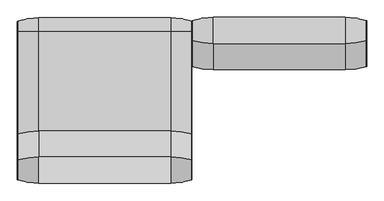
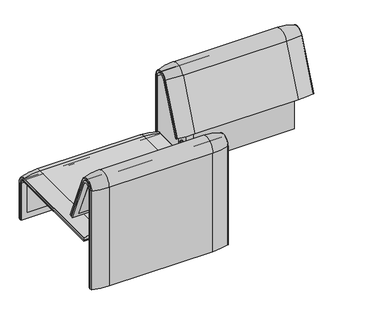
"""IFC4 building model written with IfcOpenShell, lengths in millimetres: furniture geometry."""

from ifc_helpers import new_model, si_unit, point, frame, frame_2d, origin, place, context, project, spatial, polyline, circle_curve, ellipse_curve, trimmed, segment, composite_curve, outline, extrude, source, transform, mapped, element, save
from ifc_brep_helpers import plane_surface, cylinder_surface, revolved_surface, advanced_brep


def furniture_7e9e4455(model_context):
    return source(origin(), model_context, "Body", "SolidModel", [
        advanced_brep(
        [(1221.8828771, 373.93893, 100.5089435), (1124.0215056, 388.2902376, 100.5089435), (1124.0215056, 388.2902376, 720.3417731), (1221.8828771, 373.93893, 720.3417731), (408.0071685, 292.4403877, 733.7122262), (408.0071685, 359.7858817, 720.3417731), (1224.0215056, 359.7858817, 720.3417731), (1224.0215056, 292.4403877, 733.7122262), (508.0071685, 388.2902376, 100.5089435), (410.1457971, 373.93893, 100.5089435), (410.1457971, 373.93893, 720.3417731), (508.0071685, 388.2902376, 720.3417731), (410.1457971, 279.3607494, 739.1188739), (408.0071685, 282.0164812, 738.0210907), (408.0071685, 159.7723383, 442.2908598), (410.1457971, 157.1166065, 443.3886429), (508.0071685, 266.0978884, 744.6012592), (508.0071685, 143.8537454, 448.8710282), (1224.0215056, 371.0652495, 100.5089435), (1224.0215056, 359.7858817, 100.5089435), (408.0071685, 359.7858817, 100.5089435), (408.0071685, 371.0652495, 100.5089435), (1224.0215056, 371.0652495, 720.3417731), (1224.0215056, 282.0164812, 738.0210907), (1224.0215056, 159.7723383, 442.2908598), (1224.0215056, 170.1962447, 437.9819952), (1124.0215056, 143.8537454, 448.8710282), (408.0071685, 170.1962447, 437.9819952), (1221.8828771, 157.1166065, 443.3886429), (1124.0215056, 266.0978884, 744.6012592), (1221.8828771, 279.3607494, 739.1188739), (408.0071685, 371.0652495, 720.3417731)],
        [
            (0, 1, circle_curve(frame((1124.0215056, 47.4569043, 100.5089435), z_axis=(0.0, 0.0, 1.0), x_axis=(0.0, -1.0, 0.0)), 340.8333333)),
            (1, 2),
            (2, 3, circle_curve(frame((1124.0215056, 47.4569043, 720.3417731), z_axis=(0.0, 0.0, -1.0), x_axis=(0.0, -1.0, 0.0)), 340.8333333)),
            (3, 0),
            (4, 5, circle_curve(frame((408.0071685, 324.7858817, 720.3417731), z_axis=(-1.0, 0.0, 0.0), x_axis=(0.0, 1.0, 0.0)), 35.0)),
            (5, 6),
            (6, 7, circle_curve(frame((1224.0215056, 324.7858817, 720.3417731), z_axis=(1.0, 0.0, 0.0), x_axis=(0.0, 1.0, 0.0)), 35.0)),
            (7, 4),
            (8, 9, circle_curve(frame((508.0071685, 47.4569043, 100.5089435), z_axis=(0.0, 0.0, 1.0), x_axis=(0.0, -1.0, 0.0)), 340.8333333)),
            (9, 10),
            (10, 11, circle_curve(frame((508.0071685, 47.4569043, 720.3417731), z_axis=(0.0, 0.0, -1.0), x_axis=(0.0, -1.0, 0.0)), 340.8333333)),
            (11, 8),
            (12, 13, circle_curve(frame((411.0071685, 282.0164812, 738.0210907), z_axis=(0.0, -0.38201294675155345, -0.9241569717933176), x_axis=(-1.0, 0.0, 0.0)), 3.0)),
            (13, 14),
            (14, 15, circle_curve(frame((411.0071685, 159.7723383, 442.2908598), z_axis=(0.0, 0.38201294675155345, 0.9241569717933176), x_axis=(-1.0, 0.0, 0.0)), 3.0)),
            (15, 12),
            (16, 12, circle_curve(frame((508.0071685, 581.0813896, 614.3985132), z_axis=(0.0, -0.38201294675155345, -0.9241569717933176), x_axis=(0.0, 0.9241569717933176, -0.38201294675155345)), 340.8333333)),
            (15, 17, circle_curve(frame((508.0071685, 458.8372467, 318.6682822), z_axis=(0.0, 0.38201294675155345, 0.9241569717933176), x_axis=(0.0, 0.9241569717933176, -0.38201294675155345)), 340.8333333)),
            (17, 16),
            (0, 18, circle_curve(frame((1221.0215056, 371.0652495, 100.5089435), z_axis=(0.0, 0.0, -1.0), x_axis=(1.0, 0.0, 0.0)), 3.0)),
            (18, 19),
            (19, 20),
            (20, 21),
            (21, 9, circle_curve(frame((411.0071685, 371.0652495, 100.5089435), z_axis=(0.0, 0.0, -1.0), x_axis=(-1.0, 0.0, 0.0)), 3.0)),
            (8, 1),
            (11, 2),
            (3, 22, circle_curve(frame((1221.0215056, 371.0652495, 720.3417731), z_axis=(0.0, 0.0, -1.0), x_axis=(1.0, 0.0, 0.0)), 3.0)),
            (22, 18),
            (22, 23, circle_curve(frame((1224.0215056, 324.7858817, 720.3417731), z_axis=(1.0, 0.0, 0.0), x_axis=(0.0, 1.0, 0.0)), 46.2793679)),
            (23, 24),
            (24, 25),
            (25, 7),
            (6, 19),
            (5, 20),
            (26, 17),
            (14, 27),
            (27, 25),
            (24, 28, circle_curve(frame((1221.0215056, 159.7723383, 442.2908598), z_axis=(0.0, -0.38201294675155345, -0.9241569717933176), x_axis=(1.0, 0.0, 0.0)), 3.0)),
            (28, 26, circle_curve(frame((1124.0215056, 458.8372467, 318.6682822), z_axis=(0.0, -0.38201294675155345, -0.9241569717933176), x_axis=(0.0, 0.9241569717933176, -0.38201294675155345)), 340.8333333)),
            (29, 2, circle_curve(frame((1124.0215056, 324.7858817, 720.3417731), z_axis=(-1.0, 0.0, 0.0), x_axis=(0.0, 1.0, 0.0)), 63.5043559)),
            (11, 16, circle_curve(frame((508.0071685, 324.7858817, 720.3417731), z_axis=(1.0, 0.0, 0.0), x_axis=(0.0, 1.0, 0.0)), 63.5043559)),
            (16, 29),
            (30, 3, circle_curve(frame((1221.8828771, 324.7858817, 720.3417731), z_axis=(-1.0, 0.0, 0.0), x_axis=(0.0, 1.0, 0.0)), 49.1530483)),
            (29, 30, circle_curve(frame((1124.0215056, 581.0813896, 614.3985132), z_axis=(0.0, 0.382012946751556, 0.9241569717933165), x_axis=(0.0, 0.9241569717933165, -0.382012946751556)), 340.8333333)),
            (30, 23, circle_curve(frame((1221.0215056, 282.0164812, 738.0210907), z_axis=(0.0, 0.3820129467515552, 0.9241569717933168), x_axis=(1.0, 0.0, 0.0)), 3.0)),
            (26, 29),
            (28, 30),
            (27, 4),
            (13, 31, circle_curve(frame((408.0071685, 324.7858817, 720.3417731), z_axis=(-1.0, 0.0, 0.0), x_axis=(0.0, 1.0, 0.0)), 46.2793679)),
            (31, 21),
            (31, 10, circle_curve(frame((411.0071685, 371.0652495, 720.3417731), z_axis=(0.0, 0.0, -1.0), x_axis=(-1.0, 0.0, 0.0)), 3.0)),
            (12, 10, circle_curve(frame((410.1457971, 324.7858817, 720.3417731), z_axis=(-1.0, 0.0, 0.0), x_axis=(0.0, 1.0, 0.0)), 49.1530483)),
        ],
        [
            cylinder_surface(frame((1124.0215056, 47.4569043, 100.5089435), z_axis=(0.0, 0.0, -1.0), x_axis=(0.0, -1.0, 0.0)), 340.8333333),
            revolved_surface(polyline([(1224.0215056, 359.7858817, 720.3417731), (408.0071685, 359.7858817, 720.3417731)]), (820.7793603, 324.7858817, 720.3417731), (1.0, 0.0, 0.0)),
            cylinder_surface(frame((508.0071685, 47.4569043, 100.5089435), z_axis=(0.0, 0.0, -1.0), x_axis=(0.0, -1.0, 0.0)), 340.8333333),
            cylinder_surface(frame((411.0071685, 282.0164812, 738.0210907), z_axis=(0.0, 0.38201294675155345, 0.9241569717933176), x_axis=(-1.0, 0.0, 0.0)), 3.0),
            cylinder_surface(frame((508.0071685, 581.0813896, 614.3985132), z_axis=(0.0, 0.38201294675155345, 0.9241569717933176), x_axis=(0.0, 0.9241569717933176, -0.38201294675155345)), 340.8333333),
            plane_surface(frame((820.7793603, 359.7858817, 100.5089435), z_axis=(0.0, 0.0, -1.0), x_axis=(1.0, 0.0, 0.0))),
            plane_surface(frame((508.0071685, 388.2902376, 100.5089435), z_axis=(0.0, 1.0, 0.0), x_axis=(0.0, 0.0, 1.0))),
            cylinder_surface(frame((1221.0215056, 371.0652495, 100.5089435), z_axis=(0.0, 0.0, -1.0), x_axis=(1.0, 0.0, 0.0)), 3.0),
            plane_surface(frame((1224.0215056, 371.0652495, 100.5089435), z_axis=(1.0, 0.0, 0.0), x_axis=(0.0, 0.0, 1.0))),
            plane_surface(frame((1224.0215056, 359.7858817, 100.5089435), z_axis=(0.0, -1.0, 0.0), x_axis=(0.0, 0.0, 1.0))),
            plane_surface(frame((820.7793603, 170.1962447, 437.9819952), z_axis=(0.0, -0.38201294675155345, -0.9241569717933176), x_axis=(1.0, 0.0, 0.0))),
            cylinder_surface(frame((820.7793603, 324.7858817, 720.3417731), z_axis=(1.0, 0.0, 0.0), x_axis=(0.0, 1.0, 0.0)), 63.5043559),
            revolved_surface(trimmed(ellipse_curve(frame((1124.0215056, 47.4569043, 720.3417731), z_axis=(0.0, 0.0, -1.0), x_axis=(0.0, -1.0, 0.0)), 340.8333333, 340.8333333), [point((1124.0215056, 388.2902376, 720.3417731))], [point((1221.8828771, 373.93893, 720.3417731))], True, "CARTESIAN"), (820.7793603, 324.7858817, 720.3417731), (1.0, 0.0, 0.0)),
            revolved_surface(trimmed(ellipse_curve(frame((1221.0215056, 371.0652495, 720.3417731), z_axis=(0.0, 0.0, -1.0), x_axis=(1.0, 0.0, 0.0)), 3.0, 3.0), [point((1221.8828771, 373.93893, 720.3417731))], [point((1224.0215056, 371.0652495, 720.3417731))], True, "CARTESIAN"), (820.7793603, 324.7858817, 720.3417731), (1.0, 0.0, 0.0)),
            plane_surface(frame((508.0071685, 266.0978884, 744.6012592), z_axis=(0.0, -0.9241569717933176, 0.38201294675155356), x_axis=(0.0, -0.38201294675155356, -0.9241569717933176))),
            cylinder_surface(frame((1124.0215056, 581.0813896, 614.3985132), z_axis=(0.0, 0.38201294675155345, 0.9241569717933176), x_axis=(0.0, 0.9241569717933176, -0.38201294675155345)), 340.8333333),
            cylinder_surface(frame((1221.0215056, 282.0164812, 738.0210907), z_axis=(0.0, 0.38201294675155345, 0.9241569717933176), x_axis=(1.0, 0.0, 0.0)), 3.0),
            plane_surface(frame((1224.0215056, 292.4403877, 733.7122262), z_axis=(0.0, 0.9241569717933176, -0.38201294675155356), x_axis=(0.0, -0.38201294675155356, -0.9241569717933176))),
            plane_surface(frame((408.0071685, 359.7858817, 100.5089435), z_axis=(-1.0, 0.0, 0.0), x_axis=(0.0, 0.0, 1.0))),
            cylinder_surface(frame((411.0071685, 371.0652495, 100.5089435), z_axis=(0.0, 0.0, -1.0), x_axis=(-1.0, 0.0, 0.0)), 3.0),
            revolved_surface(trimmed(ellipse_curve(frame((411.0071685, 371.0652495, 720.3417731), z_axis=(0.0, 0.0, -1.0), x_axis=(-1.0, 0.0, 0.0)), 3.0, 3.0), [point((408.0071685, 371.0652495, 720.3417731))], [point((410.1457971, 373.93893, 720.3417731))], True, "CARTESIAN"), (820.7793603, 324.7858817, 720.3417731), (1.0, 0.0, 0.0)),
            revolved_surface(trimmed(ellipse_curve(frame((508.0071685, 47.4569043, 720.3417731), z_axis=(0.0, 0.0, -1.0), x_axis=(0.0, -1.0, 0.0)), 340.8333333, 340.8333333), [point((410.1457971, 373.93893, 720.3417731))], [point((508.0071685, 388.2902376, 720.3417731))], True, "CARTESIAN"), (820.7793603, 324.7858817, 720.3417731), (1.0, 0.0, 0.0)),
        ],
        [
            (0, [[1, 2, 3, 4]]),
            (1, [[5, 6, 7, 8]]),
            (2, [[9, 10, 11, 12]]),
            (3, [[13, 14, 15, 16]]),
            (4, [[17, -16, 18, 19]]),
            (5, [[-1, 20, 21, 22, 23, 24, -9, 25]]),
            (6, [[-25, -12, 26, -2]]),
            (7, [[-20, -4, 27, 28]]),
            (8, [[-21, -28, 29, 30, 31, 32, -7, 33]]),
            (9, [[-22, -33, -6, 34]]),
            (10, [[35, -18, -15, 36, 37, -31, 38, 39]]),
            (11, [[40, -26, 41, 42]]),
            (12, [[43, -3, -40, 44]]),
            (13, [[-29, -27, -43, 45]]),
            (14, [[-42, -19, -35, 46]]),
            (15, [[-44, -46, -39, 47]]),
            (16, [[-45, -47, -38, -30]]),
            (17, [[-8, -32, -37, 48]]),
            (18, [[-23, -34, -5, -48, -36, -14, 49, 50]]),
            (19, [[-24, -50, 51, -10]]),
            (20, [[52, -51, -49, -13]]),
            (21, [[-41, -11, -52, -17]]),
        ],
    ),
        extrude(outline(composite_curve([segment(trimmed(circle_curve(frame_2d((305.0000061, 379.9223263)), 30.0), [point((305.0000061, 349.9223263))], [point((335.0000061, 379.9223263))], True, "CARTESIAN"), True, "CONTINUOUS"), segment(polyline([(335.0000061, 379.9223263), (335.0000061, 515.0657595)]), True, "CONTINUOUS"), segment(trimmed(circle_curve(frame_2d((305.0000061, 515.0657595)), 30.0), [point((335.0000061, 515.0657595))], [point((316.7219399, 542.6809051))], True, "CARTESIAN"), True, "CONTINUOUS"), segment(polyline([(316.7219399, 542.6809051), (257.4911714, 567.8228747)]), True, "CONTINUOUS"), segment(trimmed(circle_curve(frame_2d((251.6302045, 554.0153019)), 15.0), [point((257.4911714, 567.8228747))], [point((238.0355877, 560.3545758))], True, "CARTESIAN"), True, "CONTINUOUS"), segment(polyline([(238.0355877, 560.3545758), (222.2725218, 526.5505721), (213.7507451, 529.5682915), (296.3054528, 724.0549949)]), True, "CONTINUOUS"), segment(trimmed(circle_curve(frame_2d((322.520748, 712.9272623)), 28.479258), [point((296.3054528, 724.0549949))], [point((351.0000061, 712.9272623))], False, "CARTESIAN"), True, "CONTINUOUS"), segment(polyline([(351.0000061, 712.9272623), (351.0000061, 197.0551771), (343.3075759, 197.0551771), (339.4064861, 271.492405)]), True, "CONTINUOUS"), segment(trimmed(circle_curve(frame_2d((309.4476, 269.9223263)), 30.0), [point((339.4064861, 271.492405))], [point((309.4476, 299.9223263))], True, "CARTESIAN"), True, "CONTINUOUS"), segment(polyline([(309.4476, 299.9223263), (270.0000061, 299.9223263), (270.0000061, 359.9223263), (275.0000061, 359.9223263)]), True, "CONTINUOUS"), segment(trimmed(circle_curve(frame_2d((285.0000061, 359.9223263)), 10.0), [point((275.0000061, 359.9223263))], [point((285.0000061, 349.9223263))], True, "CARTESIAN"), True, "CONTINUOUS"), segment(polyline([(285.0000061, 349.9223263), (305.0000061, 349.9223263)]), True, "CONTINUOUS")], self_intersect=False), holes=[composite_curve([segment(polyline([(337.5000061, 576.3274105), (337.5000061, 716.7072663)]), True, "CONTINUOUS"), segment(trimmed(circle_curve(frame_2d((322.5000061, 716.7072663)), 15.0), [point((337.5000061, 716.7072663))], [point((308.9053893, 723.0465402))], True, "CARTESIAN"), True, "CONTINUOUS"), segment(polyline([(308.9053893, 723.0465402), (253.6256191, 604.4986904)]), True, "CONTINUOUS"), segment(trimmed(circle_curve(frame_2d((271.7517748, 596.0463251)), 20.0), [point((253.6256191, 604.4986904))], [point((265.0756376, 577.1934953))], True, "CARTESIAN"), True, "CONTINUOUS"), segment(polyline([(265.0756376, 577.1934953), (314.1406626, 559.8186587)]), True, "CONTINUOUS"), segment(trimmed(circle_curve(frame_2d((319.9867182, 576.3274105)), 17.5132879), [point((314.1406626, 559.8186587))], [point((337.5000061, 576.3274105))], True, "CARTESIAN"), True, "CONTINUOUS")], self_intersect=False)]), frame((531.0195403, 0.0, 0.0), z_axis=(1.0, 0.0, 0.0), x_axis=(0.0, 1.0, 0.0)), (0.0, 0.0, 1.0), 40.0),
        advanced_brep(
        [(-407.9906244, -295.0, 359.922434), (-407.9906244, -295.0, 366.172434), (-407.9906244, 324.3858663, 366.172434), (-407.9906244, 357.5, 333.0583003), (-407.9906244, 357.5, 100.5089435), (-407.9906244, 351.0, 100.5089435), (-407.9906244, 351.0, 332.6742277), (-407.9906244, 323.7517936, 359.922434), (407.9906244, -295.0, 359.922434), (407.9906244, 323.7517936, 359.922434), (407.9906244, 351.0, 332.6742277), (407.9906244, 351.0, 100.5089435), (407.9906244, 357.5, 100.5089435), (407.9906244, 357.5, 333.0583003), (407.9906244, 324.3858663, 366.172434), (407.9906244, -295.0, 366.172434), (373.0906244, 324.3858663, 366.172434), (373.0906244, -260.0, 366.172434), (-373.0906244, -260.0, 366.172434), (-373.0906244, 324.3858663, 366.172434), (-373.0906244, 357.5, 333.0583003), (373.0906244, 357.5, 333.0583003), (-373.0906244, 357.5, 135.3766997), (373.0906244, 357.5, 135.3766997), (373.0906244, 351.0, 332.6742277), (373.0906244, 351.0, 135.3766997), (-373.0906244, 351.0, 135.3766997), (-373.0906244, 351.0, 332.6742277), (-373.0906244, 323.7517936, 359.922434), (373.0906244, 323.7517936, 359.922434), (-373.0906244, -260.0, 359.922434), (373.0906244, -260.0, 359.922434)],
        [
            (0, 1),
            (1, 2),
            (2, 3, circle_curve(frame((-407.9906244, 324.3858663, 333.0583003), z_axis=(-1.0, 0.0, 0.0), x_axis=(0.0, 1.0, 0.0)), 33.1141337)),
            (3, 4),
            (4, 5),
            (5, 6),
            (6, 7, circle_curve(frame((-407.9906244, 323.7517936, 332.6742277), z_axis=(1.0, 0.0, 0.0), x_axis=(0.0, 1.0, 0.0)), 27.2482064)),
            (7, 0),
            (8, 9),
            (9, 10, circle_curve(frame((407.9906244, 323.7517936, 332.6742277), z_axis=(-1.0, 0.0, 0.0), x_axis=(0.0, 1.0, 0.0)), 27.2482064)),
            (10, 11),
            (11, 12),
            (12, 13),
            (13, 14, circle_curve(frame((407.9906244, 324.3858663, 333.0583003), z_axis=(1.0, 0.0, 0.0), x_axis=(0.0, 1.0, 0.0)), 33.1141337)),
            (14, 15),
            (15, 8),
            (0, 8),
            (15, 1),
            (14, 16),
            (16, 17),
            (17, 18),
            (18, 19),
            (19, 2),
            (19, 20, circle_curve(frame((-373.0906244, 324.3858663, 333.0583003), z_axis=(-1.0, 0.0, 0.0), x_axis=(0.0, 1.0, 0.0)), 33.1141337)),
            (20, 3),
            (13, 21),
            (21, 16, circle_curve(frame((373.0906244, 324.3858663, 333.0583003), z_axis=(1.0, 0.0, 0.0), x_axis=(0.0, 1.0, 0.0)), 33.1141337)),
            (20, 22),
            (22, 23),
            (23, 21),
            (12, 4),
            (11, 5),
            (10, 24),
            (24, 25),
            (25, 26),
            (26, 27),
            (27, 6),
            (27, 28, circle_curve(frame((-373.0906244, 323.7517936, 332.6742277), z_axis=(1.0, 0.0, 0.0), x_axis=(0.0, 1.0, 0.0)), 27.2482064)),
            (28, 7),
            (9, 29),
            (29, 24, circle_curve(frame((373.0906244, 323.7517936, 332.6742277), z_axis=(-1.0, 0.0, 0.0), x_axis=(0.0, 1.0, 0.0)), 27.2482064)),
            (28, 30),
            (30, 31),
            (31, 29),
            (26, 22),
            (18, 30),
            (31, 17),
            (23, 25),
        ],
        [
            plane_surface(frame((-407.9906244, 296.9265415, 359.922434), z_axis=(-1.0, 0.0, 0.0), x_axis=(0.0, 1.0, 0.0))),
            plane_surface(frame((407.9906244, 296.9265415, 359.922434), z_axis=(1.0, 0.0, 0.0), x_axis=(0.0, -1.0, 0.0))),
            plane_surface(frame((-407.9906244, -295.0, 366.172434), z_axis=(0.0, -1.0, 0.0), x_axis=(1.0, 0.0, 0.0))),
            plane_surface(frame((-407.9906244, 324.3858663, 366.172434), z_axis=(0.0, 0.0, 1.0), x_axis=(1.0, 0.0, 0.0))),
            cylinder_surface(frame((407.9906244, 324.3858663, 333.0583003), z_axis=(-1.0, 0.0, 0.0), x_axis=(0.0, 1.0, 0.0)), 33.1141337),
            plane_surface(frame((-407.9906244, 357.5, 100.5089435), z_axis=(0.0, 1.0, 0.0), x_axis=(1.0, 0.0, 0.0))),
            plane_surface(frame((-407.9906244, 351.0, 100.5089435), z_axis=(0.0, 0.0, -1.0), x_axis=(1.0, 0.0, 0.0))),
            plane_surface(frame((-407.9906244, 351.0, 332.6742277), z_axis=(0.0, -1.0, 0.0), x_axis=(1.0, 0.0, 0.0))),
            revolved_surface(polyline([(-373.0906244, 351.0, 332.6742277), (-407.9906244, 351.0, 332.6742277)]), (407.9906244, 323.7517936, 332.6742277), (1.0, 0.0, 0.0)),
            revolved_surface(polyline([(407.9906244, 351.0, 332.6742277), (373.0906244, 351.0, 332.6742277)]), (407.9906244, 323.7517936, 332.6742277), (1.0, 0.0, 0.0)),
            plane_surface(frame((-407.9906244, -295.0, 359.922434), z_axis=(0.0, 0.0, -1.0), x_axis=(1.0, 0.0, 0.0))),
            plane_surface(frame((-373.0906244, 296.9265415, 359.922434), z_axis=(1.0, 0.0, 0.0), x_axis=(0.0, 1.0, 0.0))),
            plane_surface(frame((373.0906244, 296.9265415, 359.922434), z_axis=(-1.0, 0.0, 0.0), x_axis=(0.0, -1.0, 0.0))),
            plane_surface(frame((-373.0906244, -260.0, 366.172434), z_axis=(0.0, 1.0, 0.0), x_axis=(1.0, 0.0, 0.0))),
            plane_surface(frame((-373.0906244, 351.0, 135.3766997), z_axis=(0.0, 0.0, 1.0), x_axis=(1.0, 0.0, 0.0))),
        ],
        [
            (0, [[1, 2, 3, 4, 5, 6, 7, 8]]),
            (1, [[9, 10, 11, 12, 13, 14, 15, 16]]),
            (2, [[17, -16, 18, -1]]),
            (3, [[-18, -15, 19, 20, 21, 22, 23, -2]]),
            (4, [[-23, 24, 25, -3]]),
            (4, [[26, 27, -19, -14]]),
            (5, [[-25, 28, 29, 30, -26, -13, 31, -4]]),
            (6, [[-31, -12, 32, -5]]),
            (7, [[-32, -11, 33, 34, 35, 36, 37, -6]]),
            (8, [[-37, 38, 39, -7]]),
            (9, [[40, 41, -33, -10]]),
            (10, [[-39, 42, 43, 44, -40, -9, -17, -8]]),
            (11, [[-42, -38, -36, 45, -28, -24, -22, 46]]),
            (12, [[-34, -41, -44, 47, -20, -27, -30, 48]]),
            (13, [[-21, -47, -43, -46]]),
            (14, [[-35, -48, -29, -45]]),
        ],
    ),
        extrude(outline(composite_curve([segment(polyline([(-260.0, 359.922434), (-260.0, 366.172434), (324.3858663, 366.172434)]), True, "CONTINUOUS"), segment(trimmed(circle_curve(frame_2d((324.3858663, 333.0583003)), 33.1141337), [point((324.3858663, 366.172434))], [point((357.5, 333.0583003))], False, "CARTESIAN"), True, "CONTINUOUS"), segment(polyline([(357.5, 333.0583003), (357.5, 135.3766997), (351.0, 135.3766997), (351.0, 332.6742277)]), True, "CONTINUOUS"), segment(trimmed(circle_curve(frame_2d((323.7517936, 332.6742277)), 27.2482064), [point((351.0, 332.6742277))], [point((323.7517936, 359.922434))], True, "CARTESIAN"), True, "CONTINUOUS"), segment(polyline([(323.7517936, 359.922434), (-260.0, 359.922434)]), True, "CONTINUOUS")], self_intersect=False)), frame((-373.0906244, 0.0, 0.0), z_axis=(1.0, 0.0, 0.0), x_axis=(0.0, 1.0, 0.0)), (0.0, 0.0, 1.0), 746.1812488),
        advanced_brep(
        [(-407.9906244, 368.7793679, 100.5089435), (-405.8519959, 371.6530483, 100.5089435), (-307.9906244, 386.0043559, 100.5089435), (307.9906244, 386.0043559, 100.5089435), (405.8519959, 371.6530483, 100.5089435), (407.9906244, 368.7793679, 100.5089435), (407.9906244, 357.5, 100.5089435), (-407.9906244, 357.5, 100.5089435), (-407.9906244, -295.0, 377.4518019), (-407.9906244, -295.0, 366.172434), (407.9906244, -295.0, 366.172434), (407.9906244, -295.0, 377.4518019), (405.8519959, -295.0, 380.3254823), (307.9906244, -295.0, 394.67679), (-307.9906244, -295.0, 394.67679), (-405.8519959, -295.0, 380.3254823), (-407.9906244, 357.5, 333.0583003), (-407.9906244, 324.3858663, 366.172434), (-407.9906244, 324.3858663, 377.4518019), (-407.9906244, 368.7793679, 333.0583003), (407.9906244, 357.5, 333.0583003), (-307.9906244, 386.0043559, 333.0583003), (307.9906244, 386.0043559, 333.0583003), (-405.8519959, 371.6530483, 333.0583003), (407.9906244, 324.3858663, 366.172434), (-307.9906244, 324.3858663, 394.67679), (307.9906244, 324.3858663, 394.67679), (-405.8519959, 324.3858663, 380.3254823), (407.9906244, 368.7793679, 333.0583003), (407.9906244, 324.3858663, 377.4518019), (405.8519959, 371.6530483, 333.0583003), (405.8519959, 324.3858663, 380.3254823)],
        [
            (0, 1, circle_curve(frame((-404.9906244, 368.7793679, 100.5089435), z_axis=(0.0, 0.0, -1.0), x_axis=(1.0, 0.0, 0.0)), 3.0)),
            (1, 2, circle_curve(frame((-307.9906244, 45.1710226, 100.5089435), z_axis=(0.0, 0.0, -1.0), x_axis=(0.0, -1.0, 0.0)), 340.8333333)),
            (2, 3),
            (3, 4, circle_curve(frame((307.9906244, 45.1710226, 100.5089435), z_axis=(0.0, 0.0, -1.0), x_axis=(0.0, -1.0, 0.0)), 340.8333333)),
            (4, 5, circle_curve(frame((404.9906244, 368.7793679, 100.5089435), z_axis=(0.0, 0.0, -1.0), x_axis=(-1.0, 0.0, 0.0)), 3.0)),
            (5, 6),
            (6, 7),
            (7, 0),
            (8, 9),
            (9, 10),
            (10, 11),
            (11, 12, circle_curve(frame((404.9906244, -295.0, 377.4518019), z_axis=(0.0, -1.0, 0.0), x_axis=(-1.0, 0.0, 0.0)), 3.0)),
            (12, 13, circle_curve(frame((307.9906244, -295.0, 53.8434566), z_axis=(0.0, -1.0, 0.0), x_axis=(0.0, 0.0, -1.0)), 340.8333333)),
            (13, 14),
            (14, 15, circle_curve(frame((-307.9906244, -295.0, 53.8434566), z_axis=(0.0, -1.0, 0.0), x_axis=(0.0, 0.0, -1.0)), 340.8333333)),
            (15, 8, circle_curve(frame((-404.9906244, -295.0, 377.4518019), z_axis=(0.0, -1.0, 0.0), x_axis=(1.0, 0.0, 0.0)), 3.0)),
            (7, 16),
            (16, 17, circle_curve(frame((-407.9906244, 324.3858663, 333.0583003), z_axis=(1.0, 0.0, 0.0), x_axis=(0.0, 1.0, 0.0)), 33.1141337)),
            (17, 9),
            (8, 18),
            (18, 19, circle_curve(frame((-407.9906244, 324.3858663, 333.0583003), z_axis=(-1.0, 0.0, 0.0), x_axis=(0.0, 1.0, 0.0)), 44.3935016)),
            (19, 0),
            (6, 20),
            (20, 16),
            (2, 21),
            (21, 22),
            (22, 3),
            (1, 23),
            (23, 21, circle_curve(frame((-307.9906244, 45.1710226, 333.0583003), z_axis=(0.0, 0.0, -1.0), x_axis=(0.0, -1.0, 0.0)), 340.8333333)),
            (19, 23, circle_curve(frame((-404.9906244, 368.7793679, 333.0583003), z_axis=(0.0, 0.0, -1.0), x_axis=(1.0, 0.0, 0.0)), 3.0)),
            (24, 17),
            (20, 24, circle_curve(frame((407.9906244, 324.3858663, 333.0583003), z_axis=(1.0, 0.0, 0.0), x_axis=(0.0, 1.0, 0.0)), 33.1141337)),
            (25, 26),
            (26, 22, circle_curve(frame((307.9906244, 324.3858663, 333.0583003), z_axis=(-1.0, 0.0, 0.0), x_axis=(0.0, 1.0, 0.0)), 61.6184897)),
            (21, 25, circle_curve(frame((-307.9906244, 324.3858663, 333.0583003), z_axis=(1.0, 0.0, 0.0), x_axis=(0.0, 1.0, 0.0)), 61.6184897)),
            (27, 25, circle_curve(frame((-307.9906244, 324.3858663, 53.8434566), z_axis=(0.0, 1.0, 0.0), x_axis=(0.0, 0.0, -1.0)), 340.8333333)),
            (23, 27, circle_curve(frame((-405.8519959, 324.3858663, 333.0583003), z_axis=(1.0, 0.0, 0.0), x_axis=(0.0, 1.0, 0.0)), 47.267182)),
            (18, 27, circle_curve(frame((-404.9906244, 324.3858663, 377.4518019), z_axis=(0.0, 1.0, 0.0), x_axis=(1.0, 0.0, 0.0)), 3.0)),
            (24, 10),
            (25, 14),
            (13, 26),
            (27, 15),
            (5, 28),
            (28, 29, circle_curve(frame((407.9906244, 324.3858663, 333.0583003), z_axis=(1.0, 0.0, 0.0), x_axis=(0.0, 1.0, 0.0)), 44.3935016)),
            (29, 11),
            (4, 30),
            (30, 28, circle_curve(frame((404.9906244, 368.7793679, 333.0583003), z_axis=(0.0, 0.0, -1.0), x_axis=(-1.0, 0.0, 0.0)), 3.0)),
            (22, 30, circle_curve(frame((307.9906244, 45.1710226, 333.0583003), z_axis=(0.0, 0.0, -1.0), x_axis=(0.0, -1.0, 0.0)), 340.8333333)),
            (31, 29, circle_curve(frame((404.9906244, 324.3858663, 377.4518019), z_axis=(0.0, 1.0, 0.0), x_axis=(-1.0, 0.0, 0.0)), 3.0)),
            (30, 31, circle_curve(frame((405.8519959, 324.3858663, 333.0583003), z_axis=(1.0, 0.0, 0.0), x_axis=(0.0, 1.0, 0.0)), 47.267182)),
            (26, 31, circle_curve(frame((307.9906244, 324.3858663, 53.8434566), z_axis=(0.0, 1.0, 0.0), x_axis=(0.0, 0.0, -1.0)), 340.8333333)),
            (31, 12),
        ],
        [
            plane_surface(frame((-407.9906244, 357.5, 100.5089435), z_axis=(0.0, 0.0, -1.0), x_axis=(1.0, 0.0, 0.0))),
            plane_surface(frame((-407.9906244, -295.0, 366.172434), z_axis=(0.0, -1.0, 0.0), x_axis=(1.0, 0.0, 0.0))),
            plane_surface(frame((-407.9906244, 368.7793679, 100.5089435), z_axis=(-1.0, 0.0, 0.0), x_axis=(0.0, 0.0, 1.0))),
            plane_surface(frame((-407.9906244, 357.5, 100.5089435), z_axis=(0.0, -1.0, 0.0), x_axis=(0.0, 0.0, 1.0))),
            plane_surface(frame((307.9906244, 386.0043559, 100.5089435), z_axis=(0.0, 1.0, 0.0), x_axis=(0.0, 0.0, 1.0))),
            cylinder_surface(frame((-307.9906244, 45.1710226, 100.5089435), z_axis=(0.0, 0.0, -1.0), x_axis=(0.0, -1.0, 0.0)), 340.8333333),
            cylinder_surface(frame((-404.9906244, 368.7793679, 100.5089435), z_axis=(0.0, 0.0, -1.0), x_axis=(1.0, 0.0, 0.0)), 3.0),
            revolved_surface(polyline([(-407.9906244, 357.5, 333.0583003), (407.9906244, 357.5, 333.0583003)]), (-407.9906244, 324.3858663, 333.0583003), (-1.0, 0.0, 0.0)),
            cylinder_surface(frame((-407.9906244, 324.3858663, 333.0583003), z_axis=(-1.0, 0.0, 0.0), x_axis=(0.0, 1.0, 0.0)), 61.6184897),
            revolved_surface(trimmed(ellipse_curve(frame((-307.9906244, 45.1710226, 333.0583003), z_axis=(0.0, 0.0, 1.0), x_axis=(0.0, -1.0, 0.0)), 340.8333333, 340.8333333), [point((-307.9906244, 386.0043559, 333.0583003))], [point((-405.8519959, 371.6530483, 333.0583003))], True, "CARTESIAN"), (-407.9906244, 324.3858663, 333.0583003), (-1.0, 0.0, 0.0)),
            revolved_surface(trimmed(ellipse_curve(frame((-404.9906244, 368.7793679, 333.0583003), z_axis=(0.0, 0.0, 1.0), x_axis=(1.0, 0.0, 0.0)), 3.0, 3.0), [point((-405.8519959, 371.6530483, 333.0583003))], [point((-407.9906244, 368.7793679, 333.0583003))], True, "CARTESIAN"), (-407.9906244, 324.3858663, 333.0583003), (-1.0, 0.0, 0.0)),
            plane_surface(frame((-407.9906244, 324.3858663, 366.172434), z_axis=(0.0, 0.0, -1.0), x_axis=(0.0, -1.0, 0.0))),
            plane_surface(frame((307.9906244, 324.3858663, 394.67679), z_axis=(0.0, 0.0, 1.0), x_axis=(0.0, -1.0, 0.0))),
            cylinder_surface(frame((-307.9906244, 324.3858663, 53.8434566), z_axis=(0.0, 1.0, 0.0), x_axis=(0.0, 0.0, -1.0)), 340.8333333),
            cylinder_surface(frame((-404.9906244, 324.3858663, 377.4518019), z_axis=(0.0, 1.0, 0.0), x_axis=(1.0, 0.0, 0.0)), 3.0),
            plane_surface(frame((407.9906244, 357.5, 100.5089435), z_axis=(1.0, 0.0, 0.0), x_axis=(0.0, 0.0, 1.0))),
            cylinder_surface(frame((404.9906244, 368.7793679, 100.5089435), z_axis=(0.0, 0.0, -1.0), x_axis=(-1.0, 0.0, 0.0)), 3.0),
            cylinder_surface(frame((307.9906244, 45.1710226, 100.5089435), z_axis=(0.0, 0.0, -1.0), x_axis=(0.0, -1.0, 0.0)), 340.8333333),
            revolved_surface(trimmed(ellipse_curve(frame((404.9906244, 368.7793679, 333.0583003), z_axis=(0.0, 0.0, 1.0), x_axis=(-1.0, 0.0, 0.0)), 3.0, 3.0), [point((407.9906244, 368.7793679, 333.0583003))], [point((405.8519959, 371.6530483, 333.0583003))], True, "CARTESIAN"), (-407.9906244, 324.3858663, 333.0583003), (-1.0, 0.0, 0.0)),
            revolved_surface(trimmed(ellipse_curve(frame((307.9906244, 45.1710226, 333.0583003), z_axis=(0.0, 0.0, 1.0), x_axis=(0.0, -1.0, 0.0)), 340.8333333, 340.8333333), [point((405.8519959, 371.6530483, 333.0583003))], [point((307.9906244, 386.0043559, 333.0583003))], True, "CARTESIAN"), (-407.9906244, 324.3858663, 333.0583003), (-1.0, 0.0, 0.0)),
            cylinder_surface(frame((404.9906244, 324.3858663, 377.4518019), z_axis=(0.0, 1.0, 0.0), x_axis=(-1.0, 0.0, 0.0)), 3.0),
            cylinder_surface(frame((307.9906244, 324.3858663, 53.8434566), z_axis=(0.0, 1.0, 0.0), x_axis=(0.0, 0.0, -1.0)), 340.8333333),
        ],
        [
            (0, [[1, 2, 3, 4, 5, 6, 7, 8]]),
            (1, [[9, 10, 11, 12, 13, 14, 15, 16]]),
            (2, [[17, 18, 19, -9, 20, 21, 22, -8]]),
            (3, [[23, 24, -17, -7]]),
            (4, [[25, 26, 27, -3]]),
            (5, [[28, 29, -25, -2]]),
            (6, [[-22, 30, -28, -1]]),
            (7, [[31, -18, -24, 32]]),
            (8, [[33, 34, -26, 35]]),
            (9, [[36, -35, -29, 37]]),
            (10, [[38, -37, -30, -21]]),
            (11, [[39, -10, -19, -31]]),
            (12, [[40, -14, 41, -33]]),
            (13, [[42, -15, -40, -36]]),
            (14, [[-20, -16, -42, -38]]),
            (15, [[43, 44, 45, -11, -39, -32, -23, -6]]),
            (16, [[46, 47, -43, -5]]),
            (17, [[-27, 48, -46, -4]]),
            (18, [[49, -44, -47, 50]]),
            (19, [[51, -50, -48, -34]]),
            (20, [[52, -12, -45, -49]]),
            (21, [[-41, -13, -52, -51]]),
        ],
    ),
        advanced_brep(
        [(373.0906244, -176.0980387, 452.25948), (-373.0906244, -176.0980387, 452.25948), (-373.0906244, -181.0136548, 450.2250668), (373.0906244, -181.0136548, 450.2250668), (408.0071685, -351.0000061, 101.8476716), (-407.9740803, -351.0000061, 101.8476716), (-407.9740803, -351.0000061, 712.9272623), (-373.0906244, -351.0000061, 712.9272623), (-373.0906244, -351.0000061, 135.3766997), (373.0906244, -351.0000061, 135.3766997), (373.0906244, -351.0000061, 712.9272623), (408.0071685, -351.0000061, 712.9272623), (408.0071685, -296.2720241, 723.9759107), (408.0071685, -175.0204081, 435.9866665), (408.0071685, -170.1966807, 437.98305), (408.0071685, -292.4403877, 733.7122262), (408.0071685, -359.7858817, 720.3417731), (408.0071685, -359.7858817, 101.8476716), (-407.9740803, -359.7858817, 101.8476716), (-407.9740803, -359.7858817, 720.3417731), (-407.9740803, -292.4403877, 733.7122262), (-407.9740803, -170.1966807, 437.98305), (-407.9740803, -175.0204081, 435.9866665), (-407.9740803, -296.2458652, 723.9869215), (-373.0906244, -292.4403877, 733.7122262), (373.0906244, -292.4403877, 733.7122262), (373.0906244, -296.2458652, 723.9869215), (-373.0906244, -296.2458652, 723.9869215), (373.0906244, -359.7858817, 720.3417731), (373.0906244, -359.7858817, 135.3766997), (-373.0906244, -359.7858817, 135.3766997), (-373.0906244, -359.7858817, 720.3417731)],
        [
            (0, 1),
            (1, 2),
            (2, 3),
            (3, 0),
            (4, 5),
            (5, 6),
            (6, 7),
            (7, 8),
            (8, 9),
            (9, 10),
            (10, 11),
            (11, 4),
            (11, 12, circle_curve(frame((408.0071685, -322.520748, 712.9272623), z_axis=(-1.0, 0.0, 0.0), x_axis=(0.0, 1.0, 0.0)), 28.479258)),
            (12, 13),
            (13, 14),
            (14, 15),
            (15, 16, circle_curve(frame((408.0071685, -324.7858817, 720.3417731), z_axis=(1.0, 0.0, 0.0), x_axis=(0.0, 1.0, 0.0)), 35.0)),
            (16, 17),
            (17, 4),
            (5, 18),
            (18, 19),
            (19, 20, circle_curve(frame((-407.9740803, -324.7858817, 720.3417731), z_axis=(-1.0, 0.0, 0.0), x_axis=(0.0, 1.0, 0.0)), 35.0)),
            (20, 21),
            (21, 22),
            (22, 23),
            (23, 6, circle_curve(frame((-407.9740803, -322.520748, 712.9272623), z_axis=(1.0, 0.0, 0.0), x_axis=(0.0, 1.0, 0.0)), 28.479258)),
            (14, 21),
            (20, 24),
            (24, 1),
            (0, 25),
            (25, 15),
            (13, 22),
            (12, 26),
            (26, 3),
            (2, 27),
            (27, 23),
            (17, 18),
            (16, 28),
            (28, 29),
            (29, 30),
            (30, 31),
            (31, 19),
            (31, 24, circle_curve(frame((-373.0906244, -324.7858817, 720.3417731), z_axis=(-1.0, 0.0, 0.0), x_axis=(0.0, 1.0, 0.0)), 35.0)),
            (25, 28, circle_curve(frame((373.0906244, -324.7858817, 720.3417731), z_axis=(1.0, 0.0, 0.0), x_axis=(0.0, 1.0, 0.0)), 35.0)),
            (27, 7, circle_curve(frame((-373.0906244, -322.520748, 712.9272623), z_axis=(1.0, 0.0, 0.0), x_axis=(0.0, 1.0, 0.0)), 28.479258)),
            (10, 26, circle_curve(frame((373.0906244, -322.520748, 712.9272623), z_axis=(-1.0, 0.0, 0.0), x_axis=(0.0, 1.0, 0.0)), 28.479258)),
            (9, 29),
            (30, 8),
        ],
        [
            plane_surface(frame((373.0906244, -166.9120641, 456.0612553), z_axis=(0.0, -0.38241039441982605, 0.9239925812687422), x_axis=(-1.0, 0.0, 0.0))),
            plane_surface(frame((408.0071685, -351.0000061, 712.9272623), z_axis=(0.0, 1.0, 0.0), x_axis=(-1.0, 0.0, 0.0))),
            plane_surface(frame((408.0071685, -359.7858817, 101.8476716), z_axis=(1.0, 0.0, 0.0), x_axis=(0.0, -1.0, 0.0))),
            plane_surface(frame((-407.9740803, -359.7858817, 101.8476716), z_axis=(-1.0, 0.0, 0.0), x_axis=(0.0, 1.0, 0.0))),
            plane_surface(frame((408.0071685, -292.4403877, 733.7122262), z_axis=(0.0, 0.9241569717933176, 0.3820129467515535), x_axis=(-1.0, 0.0, 0.0))),
            plane_surface(frame((408.0071685, -170.1966807, 437.98305), z_axis=(0.0, 0.38241039441983893, -0.9239925812687368), x_axis=(-1.0, 0.0, 0.0))),
            plane_surface(frame((408.0071685, -175.0204081, 435.9866665), z_axis=(0.0, -0.921678643444566, -0.3879542218073993), x_axis=(-1.0, 0.0, 0.0))),
            plane_surface(frame((408.0071685, -351.0000061, 101.8476716), z_axis=(0.0, 0.0, -1.0), x_axis=(-1.0, 0.0, 0.0))),
            plane_surface(frame((408.0071685, -359.7858817, 101.8476716), z_axis=(0.0, -1.0, 0.0), x_axis=(-1.0, 0.0, 0.0))),
            cylinder_surface(frame((-407.9740803, -324.7858817, 720.3417731), z_axis=(1.0, 0.0, 0.0), x_axis=(0.0, 1.0, 0.0)), 35.0),
            revolved_surface(polyline([(-407.9740803, -294.04149, 712.9272623), (-373.0906244, -294.04149, 712.9272623)]), (-407.9740803, -322.520748, 712.9272623), (-1.0, 0.0, 0.0)),
            revolved_surface(polyline([(373.09062439999997, -294.04149, 712.9272623), (408.0071685, -294.04149, 712.9272623)]), (-407.9740803, -322.520748, 712.9272623), (-1.0, 0.0, 0.0)),
            plane_surface(frame((373.0906244, -359.7858817, 135.3766997), z_axis=(-1.0, 0.0, 0.0), x_axis=(0.0, -1.0, 0.0))),
            plane_surface(frame((-373.0906244, -359.7858817, 135.3766997), z_axis=(1.0, 0.0, 0.0), x_axis=(0.0, 1.0, 0.0))),
            plane_surface(frame((373.0906244, -344.7858817, 135.3766997), z_axis=(0.0, 0.0, 1.0), x_axis=(-1.0, 0.0, 0.0))),
        ],
        [
            (0, [[1, 2, 3, 4]]),
            (1, [[5, 6, 7, 8, 9, 10, 11, 12]]),
            (2, [[-12, 13, 14, 15, 16, 17, 18, 19]]),
            (3, [[20, 21, 22, 23, 24, 25, 26, -6]]),
            (4, [[27, -23, 28, 29, -1, 30, 31, -16]]),
            (5, [[32, -24, -27, -15]]),
            (6, [[33, 34, -3, 35, 36, -25, -32, -14]]),
            (7, [[37, -20, -5, -19]]),
            (8, [[38, 39, 40, 41, 42, -21, -37, -18]]),
            (9, [[-42, 43, -28, -22]]),
            (9, [[-31, 44, -38, -17]]),
            (10, [[-36, 45, -7, -26]]),
            (11, [[-11, 46, -33, -13]]),
            (12, [[-34, -46, -10, 47, -39, -44, -30, -4]]),
            (13, [[-8, -45, -35, -2, -29, -43, -41, 48]]),
            (14, [[-9, -48, -40, -47]]),
        ],
    ),
        advanced_brep(
        [(-373.0906244, -351.0000061, 135.3766997), (-373.0906244, -359.7858817, 135.3766997), (-373.0906244, -359.7858817, 720.3417731), (-373.0906244, -292.4403877, 733.7122262), (-373.0906244, -176.0980387, 452.25948), (-373.0906244, -181.0136548, 450.2250668), (-373.0906244, -296.2458652, 723.9869215), (-373.0906244, -351.0000061, 712.9272623), (373.0906244, -176.0980387, 452.25948), (373.0906244, -292.4403877, 733.7122262), (373.0906244, -181.0136548, 450.2250668), (373.0906244, -296.2458652, 723.9869215), (373.0906244, -351.0000061, 135.3766997), (373.0906244, -351.0000061, 712.9272623), (373.0906244, -359.7858817, 720.3417731), (373.0906244, -359.7858817, 135.3766997)],
        [
            (0, 1),
            (1, 2),
            (2, 3, circle_curve(frame((-373.0906244, -324.7858817, 720.3417731), z_axis=(-1.0, 0.0, 0.0), x_axis=(0.0, 1.0, 0.0)), 35.0)),
            (3, 4),
            (4, 5),
            (5, 6),
            (6, 7, circle_curve(frame((-373.0906244, -322.520748, 712.9272623), z_axis=(1.0, 0.0, 0.0), x_axis=(0.0, 1.0, 0.0)), 28.479258)),
            (7, 0),
            (8, 4),
            (3, 9),
            (9, 8),
            (10, 5),
            (8, 10),
            (11, 6),
            (10, 11),
            (12, 0),
            (7, 13),
            (13, 12),
            (13, 11, circle_curve(frame((373.0906244, -322.520748, 712.9272623), z_axis=(-1.0, 0.0, 0.0), x_axis=(0.0, 1.0, 0.0)), 28.479258)),
            (9, 14, circle_curve(frame((373.0906244, -324.7858817, 720.3417731), z_axis=(1.0, 0.0, 0.0), x_axis=(0.0, 1.0, 0.0)), 35.0)),
            (14, 15),
            (15, 12),
            (15, 1),
            (14, 2),
        ],
        [
            plane_surface(frame((-373.0906244, -359.7858817, 135.3766997), z_axis=(-1.0, 0.0, 0.0), x_axis=(0.0, 1.0, 0.0))),
            plane_surface(frame((373.0906244, -292.4403877, 733.7122262), z_axis=(0.0, 0.9241569717933176, 0.3820129467515535), x_axis=(-1.0, 0.0, 0.0))),
            plane_surface(frame((373.0906244, -176.0980387, 452.25948), z_axis=(0.0, 0.38241039441982716, -0.9239925812687417), x_axis=(-1.0, 0.0, 0.0))),
            plane_surface(frame((373.0906244, -181.0136548, 450.2250668), z_axis=(0.0, -0.921678643444566, -0.3879542218073993), x_axis=(-1.0, 0.0, 0.0))),
            plane_surface(frame((373.0906244, -351.0000061, 712.9272623), z_axis=(0.0, 1.0, 0.0), x_axis=(-1.0, 0.0, 0.0))),
            plane_surface(frame((373.0906244, -359.7858817, 135.3766997), z_axis=(1.0, 0.0, 0.0), x_axis=(0.0, -1.0, 0.0))),
            plane_surface(frame((373.0906244, -351.0000061, 135.3766997), z_axis=(0.0, 0.0, -1.0), x_axis=(-1.0, 0.0, 0.0))),
            plane_surface(frame((373.0906244, -359.7858817, 135.3766997), z_axis=(0.0, -1.0, 0.0), x_axis=(-1.0, 0.0, 0.0))),
            cylinder_surface(frame((-373.0906244, -324.7858817, 720.3417731), z_axis=(1.0, 0.0, 0.0), x_axis=(0.0, 1.0, 0.0)), 35.0),
            revolved_surface(polyline([(-373.0906244, -294.04149, 712.9272623), (373.0906244, -294.04149, 712.9272623)]), (-373.0906244, -322.520748, 712.9272623), (-1.0, 0.0, 0.0)),
        ],
        [
            (0, [[1, 2, 3, 4, 5, 6, 7, 8]]),
            (1, [[9, -4, 10, 11]]),
            (2, [[12, -5, -9, 13]]),
            (3, [[14, -6, -12, 15]]),
            (4, [[16, -8, 17, 18]]),
            (5, [[-18, 19, -15, -13, -11, 20, 21, 22]]),
            (6, [[23, -1, -16, -22]]),
            (7, [[24, -2, -23, -21]]),
            (8, [[-10, -3, -24, -20]]),
            (9, [[-17, -7, -14, -19]]),
        ],
    ),
        extrude(outline(composite_curve([segment(polyline([(-305.0000061, 349.9223263), (-285.0000061, 349.9223263)]), True, "CONTINUOUS"), segment(trimmed(circle_curve(frame_2d((-285.0000061, 359.9223263)), 10.0), [point((-285.0000061, 349.9223263))], [point((-275.0000061, 359.9223263))], True, "CARTESIAN"), True, "CONTINUOUS"), segment(polyline([(-275.0000061, 359.9223263), (-270.0000061, 359.9223263), (-270.0000061, 299.9223263), (-309.4476, 299.9223263)]), True, "CONTINUOUS"), segment(trimmed(circle_curve(frame_2d((-309.4476, 269.9223263)), 30.0), [point((-309.4476, 299.9223263))], [point((-339.4064861, 271.492405))], True, "CARTESIAN"), True, "CONTINUOUS"), segment(polyline([(-339.4064861, 271.492405), (-343.3075759, 197.0551771), (-351.0000061, 197.0551771), (-351.0000061, 712.9272623)]), True, "CONTINUOUS"), segment(trimmed(circle_curve(frame_2d((-322.520748, 712.9272623)), 28.479258), [point((-351.0000061, 712.9272623))], [point((-296.3054528, 724.0549949))], False, "CARTESIAN"), True, "CONTINUOUS"), segment(polyline([(-296.3054528, 724.0549949), (-213.7507451, 529.5682915), (-222.2725218, 526.5505721), (-238.0355877, 560.3545758)]), True, "CONTINUOUS"), segment(trimmed(circle_curve(frame_2d((-251.6302045, 554.0153019)), 15.0), [point((-238.0355877, 560.3545758))], [point((-257.4911714, 567.8228747))], True, "CARTESIAN"), True, "CONTINUOUS"), segment(polyline([(-257.4911714, 567.8228747), (-316.7219399, 542.6809051)]), True, "CONTINUOUS"), segment(trimmed(circle_curve(frame_2d((-305.0000061, 515.0657595)), 30.0), [point((-316.7219399, 542.6809051))], [point((-335.0000061, 515.0657595))], True, "CARTESIAN"), True, "CONTINUOUS"), segment(polyline([(-335.0000061, 515.0657595), (-335.0000061, 379.9223263)]), True, "CONTINUOUS"), segment(trimmed(circle_curve(frame_2d((-305.0000061, 379.9223263)), 30.0), [point((-335.0000061, 379.9223263))], [point((-305.0000061, 349.9223263))], True, "CARTESIAN"), True, "CONTINUOUS")], self_intersect=False), holes=[composite_curve([segment(trimmed(circle_curve(frame_2d((-319.9867182, 576.3274105)), 17.5132879), [point((-337.5000061, 576.3274105))], [point((-314.1406626, 559.8186587))], True, "CARTESIAN"), True, "CONTINUOUS"), segment(polyline([(-314.1406626, 559.8186587), (-265.0756376, 577.1934953)]), True, "CONTINUOUS"), segment(trimmed(circle_curve(frame_2d((-271.7517748, 596.0463251)), 20.0), [point((-265.0756376, 577.1934953))], [point((-253.6256191, 604.4986904))], True, "CARTESIAN"), True, "CONTINUOUS"), segment(polyline([(-253.6256191, 604.4986904), (-308.9053893, 723.0465402)]), True, "CONTINUOUS"), segment(trimmed(circle_curve(frame_2d((-322.5000061, 716.7072663)), 15.0), [point((-308.9053893, 723.0465402))], [point((-337.5000061, 716.7072663))], True, "CARTESIAN"), True, "CONTINUOUS"), segment(polyline([(-337.5000061, 716.7072663), (-337.5000061, 576.3274105)]), True, "CONTINUOUS")], self_intersect=False)]), frame((244.9947968, 0.0, 0.0), z_axis=(1.0, 0.0, 0.0), x_axis=(0.0, 1.0, 0.0)), (0.0, 0.0, 1.0), 40.0),
        advanced_brep(
        [(405.86854, -373.93893, 100.5089435), (405.86854, -373.93893, 720.3417731), (308.0071685, -388.2902376, 720.3417731), (308.0071685, -388.2902376, 100.5089435), (-408.0071685, -292.4403877, 733.7122262), (408.0071685, -292.4403877, 733.7122262), (408.0071685, -359.7858817, 720.3417731), (-408.0071685, -359.7858817, 720.3417731), (-308.0071685, -388.2902376, 100.5089435), (-308.0071685, -388.2902376, 720.3417731), (-405.86854, -373.93893, 720.3417731), (-405.86854, -373.93893, 100.5089435), (-405.86854, -279.3607494, 739.1188739), (-405.86854, -157.1166065, 443.3886429), (-408.0071685, -159.7723383, 442.2908598), (-408.0071685, -282.0164812, 738.0210907), (-308.0071685, -266.0978884, 744.6012592), (-308.0071685, -143.8537454, 448.8710282), (-408.0071685, -371.0652495, 100.5089435), (-408.0071685, -359.7858817, 100.5089435), (408.0071685, -359.7858817, 100.5089435), (408.0071685, -371.0652495, 100.5089435), (408.0071685, -371.0652495, 720.3417731), (408.0071685, -170.1962447, 437.9819952), (408.0071685, -159.7723383, 442.2908598), (408.0071685, -282.0164812, 738.0210907), (308.0071685, -143.8537454, 448.8710282), (405.86854, -157.1166065, 443.3886429), (-408.0071685, -170.1962447, 437.9819952), (308.0071685, -266.0978884, 744.6012592), (405.86854, -279.3607494, 739.1188739), (-408.0071685, -371.0652495, 720.3417731)],
        [
            (0, 1),
            (1, 2, circle_curve(frame((308.0071685, -47.4569043, 720.3417731), z_axis=(0.0, 0.0, -1.0), x_axis=(0.0, 1.0, 0.0)), 340.8333333)),
            (2, 3),
            (3, 0, circle_curve(frame((308.0071685, -47.4569043, 100.5089435), z_axis=(0.0, 0.0, 1.0), x_axis=(0.0, 1.0, 0.0)), 340.8333333)),
            (4, 5),
            (5, 6, circle_curve(frame((408.0071685, -324.7858817, 720.3417731), z_axis=(1.0, 0.0, 0.0), x_axis=(0.0, -1.0, 0.0)), 35.0)),
            (6, 7),
            (7, 4, circle_curve(frame((-408.0071685, -324.7858817, 720.3417731), z_axis=(-1.0, 0.0, 0.0), x_axis=(0.0, -1.0, 0.0)), 35.0)),
            (8, 9),
            (9, 10, circle_curve(frame((-308.0071685, -47.4569043, 720.3417731), z_axis=(0.0, 0.0, -1.0), x_axis=(0.0, 1.0, 0.0)), 340.8333333)),
            (10, 11),
            (11, 8, circle_curve(frame((-308.0071685, -47.4569043, 100.5089435), z_axis=(0.0, 0.0, 1.0), x_axis=(0.0, 1.0, 0.0)), 340.8333333)),
            (12, 13),
            (13, 14, circle_curve(frame((-405.0071685, -159.7723383, 442.2908598), z_axis=(0.0, -0.38201294675155345, 0.9241569717933176), x_axis=(-1.0, 0.0, 0.0)), 3.0)),
            (14, 15),
            (15, 12, circle_curve(frame((-405.0071685, -282.0164812, 738.0210907), z_axis=(0.0, 0.38201294675155345, -0.9241569717933176), x_axis=(-1.0, 0.0, 0.0)), 3.0)),
            (16, 17),
            (17, 13, circle_curve(frame((-308.0071685, -458.8372467, 318.6682822), z_axis=(0.0, -0.38201294675155345, 0.9241569717933176), x_axis=(0.0, -0.9241569717933176, -0.38201294675155345)), 340.8333333)),
            (12, 16, circle_curve(frame((-308.0071685, -581.0813896, 614.3985132), z_axis=(0.0, 0.38201294675155345, -0.9241569717933176), x_axis=(0.0, -0.9241569717933176, -0.38201294675155345)), 340.8333333)),
            (3, 8),
            (11, 18, circle_curve(frame((-405.0071685, -371.0652495, 100.5089435), z_axis=(0.0, 0.0, -1.0), x_axis=(-1.0, 0.0, 0.0)), 3.0)),
            (18, 19),
            (19, 20),
            (20, 21),
            (21, 0, circle_curve(frame((405.0071685, -371.0652495, 100.5089435), z_axis=(0.0, 0.0, -1.0), x_axis=(1.0, 0.0, 0.0)), 3.0)),
            (2, 9),
            (21, 22),
            (22, 1, circle_curve(frame((405.0071685, -371.0652495, 720.3417731), z_axis=(0.0, 0.0, -1.0), x_axis=(1.0, 0.0, 0.0)), 3.0)),
            (20, 6),
            (5, 23),
            (23, 24),
            (24, 25),
            (25, 22, circle_curve(frame((408.0071685, -324.7858817, 720.3417731), z_axis=(1.0, 0.0, 0.0), x_axis=(0.0, -1.0, 0.0)), 46.2793679)),
            (19, 7),
            (26, 27, circle_curve(frame((308.0071685, -458.8372467, 318.6682822), z_axis=(0.0, 0.38201294675155345, -0.9241569717933176), x_axis=(0.0, -0.9241569717933176, -0.38201294675155345)), 340.8333333)),
            (27, 24, circle_curve(frame((405.0071685, -159.7723383, 442.2908598), z_axis=(0.0, 0.38201294675155345, -0.9241569717933176), x_axis=(1.0, 0.0, 0.0)), 3.0)),
            (23, 28),
            (28, 14),
            (17, 26),
            (29, 16),
            (16, 9, circle_curve(frame((-308.0071685, -324.7858817, 720.3417731), z_axis=(1.0, 0.0, 0.0), x_axis=(0.0, -1.0, 0.0)), 63.5043559)),
            (2, 29, circle_curve(frame((308.0071685, -324.7858817, 720.3417731), z_axis=(-1.0, 0.0, 0.0), x_axis=(0.0, -1.0, 0.0)), 63.5043559)),
            (30, 29, circle_curve(frame((308.0071685, -581.0813896, 614.3985132), z_axis=(0.0, -0.3820129467515544, 0.9241569717933172), x_axis=(0.0, -0.9241569717933172, -0.3820129467515544)), 340.8333333)),
            (1, 30, circle_curve(frame((405.86854, -324.7858817, 720.3417731), z_axis=(-1.0, 0.0, 0.0), x_axis=(0.0, -1.0, 0.0)), 49.1530483)),
            (25, 30, circle_curve(frame((405.0071685, -282.0164812, 738.0210907), z_axis=(0.0, -0.38201294675155356, 0.9241569717933176), x_axis=(1.0, 0.0, 0.0)), 3.0)),
            (29, 26),
            (30, 27),
            (4, 28),
            (18, 31),
            (31, 15, circle_curve(frame((-408.0071685, -324.7858817, 720.3417731), z_axis=(-1.0, 0.0, 0.0), x_axis=(0.0, -1.0, 0.0)), 46.2793679)),
            (10, 31, circle_curve(frame((-405.0071685, -371.0652495, 720.3417731), z_axis=(0.0, 0.0, -1.0), x_axis=(-1.0, 0.0, 0.0)), 3.0)),
            (10, 12, circle_curve(frame((-405.86854, -324.7858817, 720.3417731), z_axis=(-1.0, 0.0, 0.0), x_axis=(0.0, -1.0, 0.0)), 49.1530483)),
        ],
        [
            cylinder_surface(frame((308.0071685, -47.4569043, 100.5089435), z_axis=(0.0, 0.0, -1.0), x_axis=(0.0, 1.0, 0.0)), 340.8333333),
            revolved_surface(polyline([(408.0071685, -359.7858817, 720.3417731), (-408.0071685, -359.7858817, 720.3417731)]), (4.7650232, -324.7858817, 720.3417731), (1.0, 0.0, 0.0)),
            cylinder_surface(frame((-308.0071685, -47.4569043, 100.5089435), z_axis=(0.0, 0.0, -1.0), x_axis=(0.0, 1.0, 0.0)), 340.8333333),
            cylinder_surface(frame((-405.0071685, -282.0164812, 738.0210907), z_axis=(0.0, -0.38201294675155345, 0.9241569717933176), x_axis=(-1.0, 0.0, 0.0)), 3.0),
            cylinder_surface(frame((-308.0071685, -581.0813896, 614.3985132), z_axis=(0.0, -0.38201294675155345, 0.9241569717933176), x_axis=(0.0, -0.9241569717933176, -0.38201294675155345)), 340.8333333),
            plane_surface(frame((4.7650232, -359.7858817, 100.5089435), z_axis=(0.0, 0.0, -1.0), x_axis=(1.0, 0.0, 0.0))),
            plane_surface(frame((-308.0071685, -388.2902376, 100.5089435), z_axis=(0.0, -1.0, 0.0), x_axis=(0.0, 0.0, 1.0))),
            cylinder_surface(frame((405.0071685, -371.0652495, 100.5089435), z_axis=(0.0, 0.0, -1.0), x_axis=(1.0, 0.0, 0.0)), 3.0),
            plane_surface(frame((408.0071685, -371.0652495, 100.5089435), z_axis=(1.0, 0.0, 0.0), x_axis=(0.0, 0.0, 1.0))),
            plane_surface(frame((408.0071685, -359.7858817, 100.5089435), z_axis=(0.0, 1.0, 0.0), x_axis=(0.0, 0.0, 1.0))),
            plane_surface(frame((4.7650232, -170.1962447, 437.9819952), z_axis=(0.0, 0.38201294675155345, -0.9241569717933176), x_axis=(1.0, 0.0, 0.0))),
            cylinder_surface(frame((4.7650232, -324.7858817, 720.3417731), z_axis=(1.0, 0.0, 0.0), x_axis=(0.0, -1.0, 0.0)), 63.5043559),
            revolved_surface(trimmed(ellipse_curve(frame((308.0071685, -47.4569043, 720.3417731), z_axis=(0.0, 0.0, 1.0), x_axis=(0.0, 1.0, 0.0)), 340.8333333, 340.8333333), [point((308.0071685, -388.2902376, 720.3417731))], [point((405.86854, -373.93893, 720.3417731))], True, "CARTESIAN"), (4.7650232, -324.7858817, 720.3417731), (1.0, 0.0, 0.0)),
            revolved_surface(trimmed(ellipse_curve(frame((405.0071685, -371.0652495, 720.3417731), z_axis=(0.0, 0.0, 1.0), x_axis=(1.0, 0.0, 0.0)), 3.0, 3.0), [point((405.86854, -373.93893, 720.3417731))], [point((408.0071685, -371.0652495, 720.3417731))], True, "CARTESIAN"), (4.7650232, -324.7858817, 720.3417731), (1.0, 0.0, 0.0)),
            plane_surface(frame((-308.0071685, -266.0978884, 744.6012592), z_axis=(0.0, 0.9241569717933176, 0.38201294675155356), x_axis=(0.0, 0.38201294675155356, -0.9241569717933176))),
            cylinder_surface(frame((308.0071685, -581.0813896, 614.3985132), z_axis=(0.0, -0.38201294675155345, 0.9241569717933176), x_axis=(0.0, -0.9241569717933176, -0.38201294675155345)), 340.8333333),
            cylinder_surface(frame((405.0071685, -282.0164812, 738.0210907), z_axis=(0.0, -0.38201294675155345, 0.9241569717933176), x_axis=(1.0, 0.0, 0.0)), 3.0),
            plane_surface(frame((408.0071685, -292.4403877, 733.7122262), z_axis=(0.0, -0.9241569717933176, -0.38201294675155356), x_axis=(0.0, 0.38201294675155356, -0.9241569717933176))),
            plane_surface(frame((-408.0071685, -359.7858817, 100.5089435), z_axis=(-1.0, 0.0, 0.0), x_axis=(0.0, 0.0, 1.0))),
            cylinder_surface(frame((-405.0071685, -371.0652495, 100.5089435), z_axis=(0.0, 0.0, -1.0), x_axis=(-1.0, 0.0, 0.0)), 3.0),
            revolved_surface(trimmed(ellipse_curve(frame((-405.0071685, -371.0652495, 720.3417731), z_axis=(0.0, 0.0, 1.0), x_axis=(-1.0, 0.0, 0.0)), 3.0, 3.0), [point((-408.0071685, -371.0652495, 720.3417731))], [point((-405.86854, -373.93893, 720.3417731))], True, "CARTESIAN"), (4.7650232, -324.7858817, 720.3417731), (1.0, 0.0, 0.0)),
            revolved_surface(trimmed(ellipse_curve(frame((-308.0071685, -47.4569043, 720.3417731), z_axis=(0.0, 0.0, 1.0), x_axis=(0.0, 1.0, 0.0)), 340.8333333, 340.8333333), [point((-405.86854, -373.93893, 720.3417731))], [point((-308.0071685, -388.2902376, 720.3417731))], True, "CARTESIAN"), (4.7650232, -324.7858817, 720.3417731), (1.0, 0.0, 0.0)),
        ],
        [
            (0, [[1, 2, 3, 4]]),
            (1, [[5, 6, 7, 8]]),
            (2, [[9, 10, 11, 12]]),
            (3, [[13, 14, 15, 16]]),
            (4, [[17, 18, -13, 19]]),
            (5, [[20, -12, 21, 22, 23, 24, 25, -4]]),
            (6, [[-3, 26, -9, -20]]),
            (7, [[27, 28, -1, -25]]),
            (8, [[29, -6, 30, 31, 32, 33, -27, -24]]),
            (9, [[34, -7, -29, -23]]),
            (10, [[35, 36, -31, 37, 38, -14, -18, 39]]),
            (11, [[40, 41, -26, 42]]),
            (12, [[43, -42, -2, 44]]),
            (13, [[45, -44, -28, -33]]),
            (14, [[46, -39, -17, -40]]),
            (15, [[47, -35, -46, -43]]),
            (16, [[-32, -36, -47, -45]]),
            (17, [[48, -37, -30, -5]]),
            (18, [[49, 50, -15, -38, -48, -8, -34, -22]]),
            (19, [[-11, 51, -49, -21]]),
            (20, [[-16, -50, -51, 52]]),
            (21, [[-19, -52, -10, -41]]),
        ],
    ),
    ])


if __name__ == "__main__":
    model = new_model("IFC4")
    model_context = context("Model", 3, world=origin())
    ifc_project = project(units=[si_unit("LENGTHUNIT", "METRE", prefix="MILLI")], contexts=[model_context])
    site = spatial("IfcSite", under=ifc_project)
    building = spatial("IfcBuilding", under=site)
    placement = place(None, origin())
    furniture_shape = furniture_7e9e4455(model_context)
    element("IfcFurniture", 1, at=placement, inside=building, context=model_context, shape_type="MappedRepresentation", body=[
        mapped(furniture_shape, transform((0.0, 0.0, 0.0), x_axis=(1.0, 0.0, 0.0), y_axis=(0.0, 1.0, 0.0), z_axis=(0.0, 0.0, 1.0))),
    ])
    save(model, "model.ifc")
